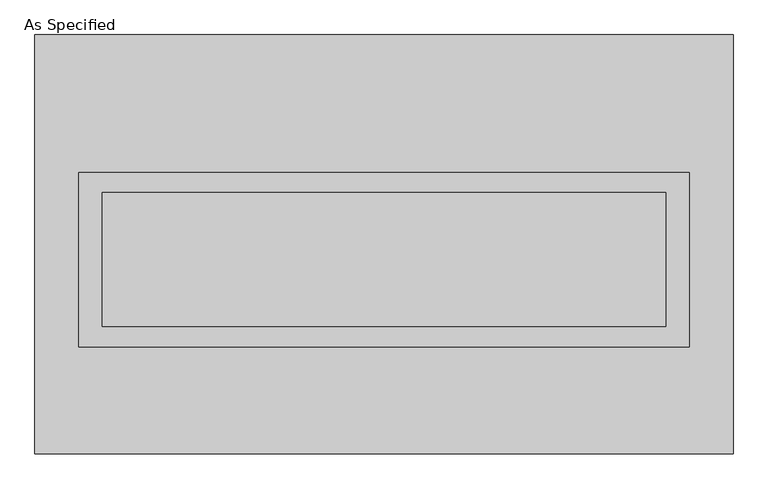
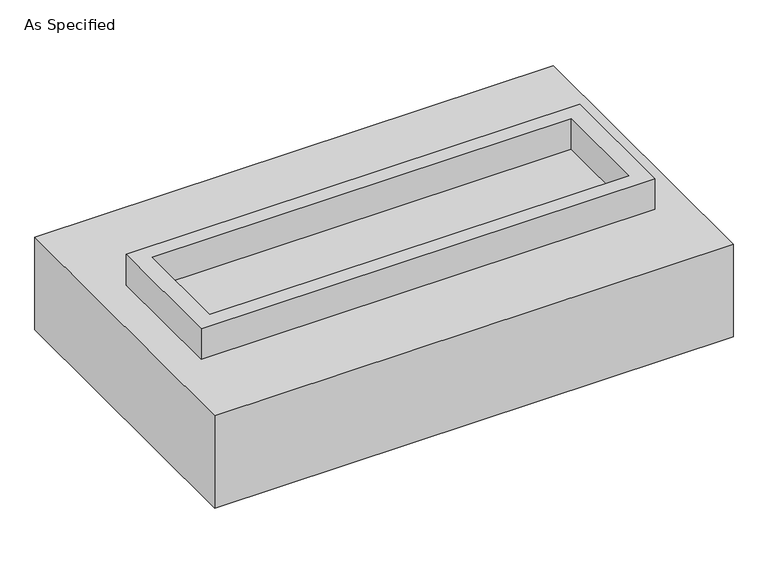
"""IFC4 building model written with IfcOpenShell, lengths in millimetres: proxy geometry, As Specified."""

from ifc_helpers import new_model, si_unit, frame, origin, place, context, project, spatial, polyline, outline, extrude, source, transform, mapped, element, save


def as_specified_953e0cfb(model_context):
    return source(origin(), model_context, "Body", "SweptSolid", [
        extrude(outline(polyline([(1155.7, 273.05), (1155.7, -387.35), (-1155.7, -387.35), (-1155.7, 273.05), (1155.7, 273.05)]), holes=[polyline([(1066.8, 196.85), (-1066.8, 196.85), (-1066.8, -311.15), (1066.8, -311.15), (1066.8, 196.85)])]), frame((0.0, 0.0, -688.975), z_axis=(0.0, 0.0, 1.0), x_axis=(1.0, 0.0, 0.0)), (0.0, 0.0, 1.0), 165.1),
        extrude(outline(polyline([(1155.7, 273.05), (1155.7, -387.35), (-1155.7, -387.35), (-1155.7, 273.05), (1155.7, 273.05)]), holes=[polyline([(1066.8, 196.85), (-1066.8, 196.85), (-1066.8, -311.15), (1066.8, -311.15), (1066.8, 196.85)])]), frame((0.0, 0.0, -25.4), z_axis=(0.0, 0.0, 1.0), x_axis=(1.0, 0.0, 0.0)), (0.0, 0.0, 1.0), 165.1),
        extrude(outline(polyline([(1066.8, 196.85), (1066.8, -311.15), (-1066.8, -311.15), (-1066.8, 196.85), (1066.8, 196.85)])), frame((0.0, 0.0, -523.875), z_axis=(0.0, 0.0, 1.0), x_axis=(1.0, 0.0, 0.0)), (0.0, 0.0, 1.0), 4.9609375),
        extrude(outline(polyline([(1066.8, 196.85), (1066.8, -311.15), (-1066.8, -311.15), (-1066.8, 196.85), (1066.8, 196.85)])), frame((0.0, 0.0, -30.3609375), z_axis=(0.0, 0.0, 1.0), x_axis=(1.0, 0.0, 0.0)), (0.0, 0.0, 1.0), 4.9609375),
        extrude(outline(polyline([(1320.8, -793.75), (-1320.8, -793.75), (-1320.8, 793.75), (1320.8, 793.75), (1320.8, -793.75)]), holes=[polyline([(-1155.7, 273.05), (-1155.7, -387.35), (1155.7, -387.35), (1155.7, 273.05), (-1155.7, 273.05)])]), frame((0.0, 0.0, -523.875), z_axis=(0.0, 0.0, 1.0), x_axis=(1.0, 0.0, 0.0)), (0.0, 0.0, 1.0), 498.475),
    ])


if __name__ == "__main__":
    model = new_model("IFC4")
    model_context = context("Model", 3, world=origin())
    ifc_project = project(units=[si_unit("LENGTHUNIT", "METRE", prefix="MILLI")], contexts=[model_context])
    site = spatial("IfcSite", under=ifc_project)
    building = spatial("IfcBuilding", under=site)
    placement = place(None, origin())
    as_specified_shape = as_specified_953e0cfb(model_context)
    element("IfcBuildingElementProxy", 1, Name="As Specified", ObjectType="As Specified", at=placement, inside=building, context=model_context, shape_type="MappedRepresentation", body=[
        mapped(as_specified_shape, transform((0.0, 0.0, 0.0), x_axis=(1.0, 0.0, 0.0), y_axis=(0.0, 1.0, 0.0), z_axis=(0.0, 0.0, 1.0))),
    ])
    save(model, "model.ifc")
